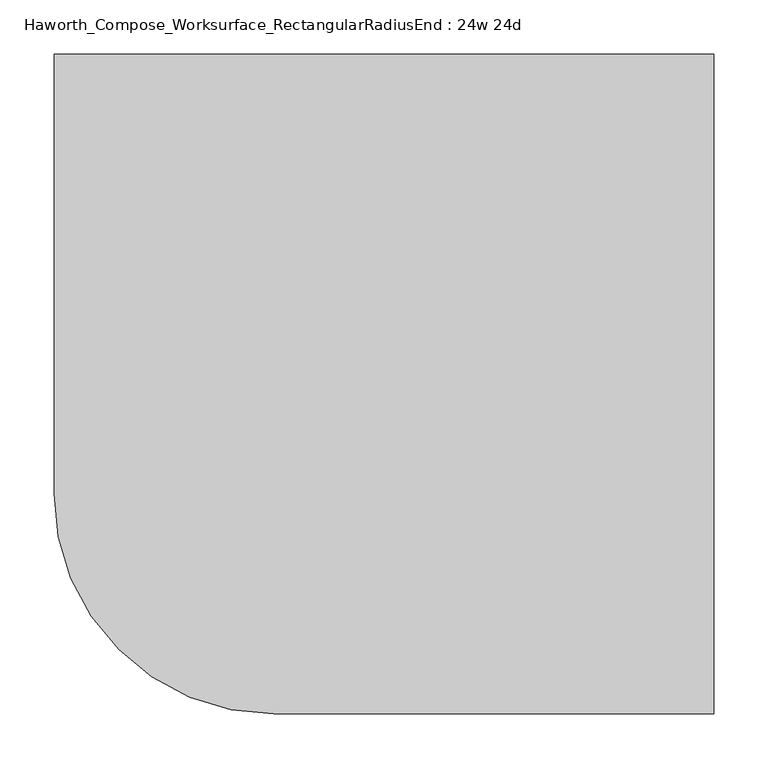
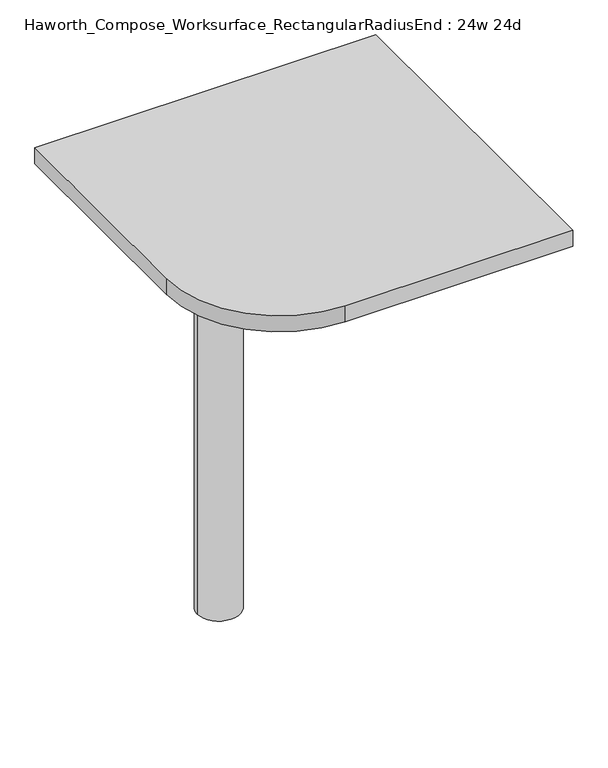
"""IFC4 building model written with IfcOpenShell, lengths in millimetres: furniture geometry, Haworth_Compose_Worksurface_RectangularRadiusEnd : 24w 24d."""

from ifc_helpers import new_model, si_unit, point, frame, frame_2d, origin, place, context, project, spatial, polyline, circle_curve, trimmed, segment, composite_curve, outline, extrude, source, transform, mapped, element, save
from ifc_brep_helpers import plane_surface, cylinder_surface, revolved_surface, advanced_brep


def haworth_compose_worksurface_rectangularradiusend_24w_24d_d5c6247b(model_context):
    return source(origin(), model_context, "Body", "SolidModel", [
        advanced_brep(
        [(299.24375, 304.8, 475.45625), (299.24375, 288.925, 475.45625), (299.24375, -101.6, 691.7192568), (299.24375, -101.6, 704.05625), (299.24375, 288.925, 704.05625), (299.24375, 304.8, 704.05625), (299.24375, 221.490072, 665.95625), (299.24375, 177.8355284, 665.95625), (299.24375, 175.1564235, 656.3705539), (299.24375, 266.8776173, 605.5776439), (299.24375, 276.225, 611.1756969), (299.24375, 276.225, 634.6860246), (299.24375, 274.4730055, 637.5242776), (299.24375, 224.5663437, 665.1613425), (301.625, 304.8, 475.45625), (301.625, 304.8, 704.05625), (301.625, 288.925, 704.05625), (301.625, 288.925, 706.4375), (301.625, -101.6, 706.4375), (301.625, -101.6, 691.7192568), (301.625, 288.925, 475.45625), (301.625, 221.490072, 665.95625), (301.625, 224.5663437, 665.1613425), (301.625, 274.4730055, 637.5242776), (301.625, 276.225, 634.6860246), (301.625, 276.225, 611.1756969), (301.625, 266.8776173, 605.5776439), (301.625, 175.1564235, 656.3705539), (301.625, 177.8355284, 665.95625), (260.35, -101.6, 706.4375), (260.35, -101.6, 704.05625), (260.35, 288.925, 704.05625), (260.35, 288.925, 706.4375)],
        [
            (0, 1),
            (1, 2),
            (2, 3),
            (3, 4),
            (4, 5),
            (5, 0),
            (6, 7),
            (7, 8, circle_curve(frame((299.24375, 177.8355284, 660.7890106), z_axis=(1.0, 0.0, 0.0), x_axis=(0.0, -1.0, 0.0)), 5.1672394)),
            (8, 9),
            (9, 10, circle_curve(frame((299.24375, 269.875, 611.1756969), z_axis=(1.0, 0.0, 0.0), x_axis=(0.0, -1.0, 0.0)), 6.35)),
            (10, 11),
            (11, 12, circle_curve(frame((299.24375, 273.05, 634.6860246), z_axis=(1.0, 0.0, 0.0), x_axis=(0.0, -1.0, 0.0)), 3.175)),
            (12, 13),
            (13, 6, circle_curve(frame((299.24375, 221.490072, 659.60625), z_axis=(1.0, 0.0, 0.0), x_axis=(0.0, -1.0, 0.0)), 6.35)),
            (14, 15),
            (15, 16),
            (16, 17),
            (17, 18),
            (18, 19),
            (19, 20),
            (20, 14),
            (21, 22, circle_curve(frame((301.625, 221.490072, 659.60625), z_axis=(-1.0, 0.0, 0.0), x_axis=(0.0, -1.0, 0.0)), 6.35)),
            (22, 23),
            (23, 24, circle_curve(frame((301.625, 273.05, 634.6860246), z_axis=(-1.0, 0.0, 0.0), x_axis=(0.0, -1.0, 0.0)), 3.175)),
            (24, 25),
            (25, 26, circle_curve(frame((301.625, 269.875, 611.1756969), z_axis=(-1.0, 0.0, 0.0), x_axis=(0.0, -1.0, 0.0)), 6.35)),
            (26, 27),
            (27, 28, circle_curve(frame((301.625, 177.8355284, 660.7890106), z_axis=(-1.0, 0.0, 0.0), x_axis=(0.0, -1.0, 0.0)), 5.1672394)),
            (28, 21),
            (4, 16),
            (15, 5),
            (14, 0),
            (20, 1),
            (19, 2),
            (18, 29),
            (29, 30),
            (30, 3),
            (6, 21),
            (28, 7),
            (9, 26),
            (25, 10),
            (24, 11),
            (23, 12),
            (27, 8),
            (31, 4),
            (30, 31),
            (32, 29),
            (17, 32),
            (31, 32),
            (22, 13),
        ],
        [
            plane_surface(frame((299.24375, 304.8, 475.45625), z_axis=(-1.0, 0.0, 0.0), x_axis=(0.0, 1.0, 0.0))),
            plane_surface(frame((301.625, 304.8, 475.45625), z_axis=(1.0, 0.0, 0.0), x_axis=(0.0, -1.0, 0.0))),
            plane_surface(frame((301.625, -101.6, 704.05625), z_axis=(0.0, 0.0, 1.0), x_axis=(-1.0, 0.0, 0.0))),
            plane_surface(frame((301.625, 304.8, 704.05625), z_axis=(0.0, 1.0, 0.0), x_axis=(-1.0, 0.0, 0.0))),
            plane_surface(frame((301.625, 304.8, 475.45625), z_axis=(0.0, 0.0, -1.0), x_axis=(-1.0, 0.0, 0.0))),
            plane_surface(frame((301.625, 288.925, 475.45625), z_axis=(0.0, -0.48445223513455843, -0.8748177135112952), x_axis=(-1.0, 0.0, 0.0))),
            plane_surface(frame((301.625, -101.6, 691.7192568), z_axis=(0.0, -1.0, 0.0), x_axis=(-1.0, 0.0, 0.0))),
            plane_surface(frame((301.625, 221.490072, 665.95625), z_axis=(0.0, 0.0, -1.0), x_axis=(-1.0, 0.0, 0.0))),
            revolved_surface(polyline([(299.24375, 263.525, 611.1756969), (301.625, 263.525, 611.1756969)]), (301.625, 269.875, 611.1756969), (-1.0, 0.0, 0.0)),
            plane_surface(frame((301.625, 276.225, 611.1756969), z_axis=(0.0, -1.0, 0.0), x_axis=(-1.0, 0.0, 0.0))),
            revolved_surface(polyline([(299.24375, 269.875, 634.6860246), (301.625, 269.875, 634.6860246)]), (301.625, 273.05, 634.6860246), (-1.0, 0.0, 0.0)),
            revolved_surface(polyline([(299.24375, 172.668289, 660.7890106), (301.625, 172.668289, 660.7890106)]), (301.625, 177.8355284, 660.7890106), (-1.0, 0.0, 0.0)),
            plane_surface(frame((301.625, 288.925, 704.05625), z_axis=(0.0, 0.0, -1.0), x_axis=(-1.0, 0.0, 0.0))),
            plane_surface(frame((301.625, 288.925, 706.4375), z_axis=(0.0, 0.0, 1.0), x_axis=(1.0, 0.0, 0.0))),
            plane_surface(frame((260.35, 288.925, 706.4375), z_axis=(0.0, 1.0, 0.0), x_axis=(0.0, 0.0, -1.0))),
            plane_surface(frame((260.35, -101.6, 706.4375), z_axis=(-1.0, 0.0, 0.0), x_axis=(0.0, 0.0, -1.0))),
            plane_surface(frame((301.625, 175.1564235, 656.3705539), z_axis=(0.0, 0.4844522351345583, 0.8748177135112953), x_axis=(-1.0, 0.0, 0.0))),
            plane_surface(frame((301.625, 274.4730055, 637.5242776), z_axis=(0.0, -0.4844522351345582, -0.8748177135112953), x_axis=(-1.0, 0.0, 0.0))),
            revolved_surface(polyline([(299.24375, 215.140072, 659.60625), (301.625, 215.140072, 659.60625)]), (301.625, 221.490072, 659.60625), (-1.0, 0.0, 0.0)),
        ],
        [
            (0, [[1, 2, 3, 4, 5, 6], [7, 8, 9, 10, 11, 12, 13, 14]]),
            (1, [[15, 16, 17, 18, 19, 20, 21], [22, 23, 24, 25, 26, 27, 28, 29]]),
            (2, [[-5, 30, -16, 31]]),
            (3, [[-31, -15, 32, -6]]),
            (4, [[-32, -21, 33, -1]]),
            (5, [[-33, -20, 34, -2]]),
            (6, [[-34, -19, 35, 36, 37, -3]]),
            (7, [[38, -29, 39, -7]]),
            (8, [[40, -26, 41, -10]]),
            (9, [[-41, -25, 42, -11]]),
            (10, [[-42, -24, 43, -12]]),
            (11, [[-39, -28, 44, -8]]),
            (12, [[45, -4, -37, 46]]),
            (13, [[47, -35, -18, 48]]),
            (14, [[-17, -30, -45, 49, -48]]),
            (15, [[-36, -47, -49, -46]]),
            (16, [[-44, -27, -40, -9]]),
            (17, [[-43, -23, 50, -13]]),
            (18, [[-50, -22, -38, -14]]),
        ],
    ),
        advanced_brep(
        [(-114.3, 0.0, 706.4375), (-190.5, 0.0, 706.4375), (-152.4, 0.0, 706.4375), (-114.3, 0.0, 0.0), (-190.5, 0.0, 0.0), (-152.4, 0.0, 0.0)],
        [
            (0, 1, circle_curve(frame((-152.4, 0.0, 706.4375), z_axis=(0.0, 0.0, 1.0), x_axis=(-1.0, 0.0, 0.0)), 38.1)),
            (1, 2),
            (2, 0),
            (1, 0, circle_curve(frame((-152.4, 0.0, 706.4375), z_axis=(0.0, 0.0, 1.0), x_axis=(-1.0, 0.0, 0.0)), 38.1)),
            (3, 4, circle_curve(frame((-152.4, 0.0, 0.0), z_axis=(0.0, 0.0, 1.0), x_axis=(-1.0, 0.0, 0.0)), 38.1)),
            (4, 1),
            (0, 3),
            (4, 3, circle_curve(frame((-152.4, 0.0, 0.0), z_axis=(0.0, 0.0, 1.0), x_axis=(-1.0, 0.0, 0.0)), 38.1)),
            (5, 4),
            (3, 5),
        ],
        [
            plane_surface(frame((-152.4, 0.0, 706.4375), z_axis=(0.0, 0.0, 1.0), x_axis=(-1.0, 0.0, 0.0))),
            cylinder_surface(frame((-152.4, 0.0, 889.623257), z_axis=(0.0, 0.0, -1.0), x_axis=(-1.0, 0.0, 0.0)), 38.1),
            plane_surface(frame((-152.4, 0.0, 0.0), z_axis=(0.0, 0.0, -1.0), x_axis=(-1.0, 0.0, 0.0))),
        ],
        [
            (0, [[1, 2, 3]]),
            (0, [[4, -3, -2]]),
            (1, [[5, 6, -1, 7]]),
            (1, [[8, -7, -4, -6]]),
            (2, [[9, -5, 10]]),
            (2, [[-10, -8, -9]]),
        ],
    ),
        extrude(outline(composite_curve([segment(polyline([(304.8, 304.8), (304.8, -304.8), (-101.6, -304.8)]), True, "CONTINUOUS"), segment(trimmed(circle_curve(frame_2d((-101.6, -101.6)), 203.2), [point((-101.6, -304.8))], [point((-304.8, -101.6))], False, "CARTESIAN"), True, "CONTINUOUS"), segment(polyline([(-304.8, -101.6), (-304.8, 304.8), (304.8, 304.8)]), True, "CONTINUOUS")], self_intersect=False)), frame((0.0, 0.0, 706.4375), z_axis=(0.0, 0.0, 1.0), x_axis=(1.0, 0.0, 0.0)), (0.0, 0.0, 1.0), 30.1625),
    ])


if __name__ == "__main__":
    model = new_model("IFC4")
    model_context = context("Model", 3, world=origin())
    ifc_project = project(units=[si_unit("LENGTHUNIT", "METRE", prefix="MILLI")], contexts=[model_context])
    site = spatial("IfcSite", under=ifc_project)
    building = spatial("IfcBuilding", under=site)
    placement = place(None, origin())
    haworth_compose_worksurface_rectangularradiusend_24w_24d_shape = haworth_compose_worksurface_rectangularradiusend_24w_24d_d5c6247b(model_context)
    element("IfcFurniture", 1, ObjectType="Haworth_Compose_Worksurface_RectangularRadiusEnd : 24w 24d", at=placement, inside=building, context=model_context, shape_type="MappedRepresentation", body=[
        mapped(haworth_compose_worksurface_rectangularradiusend_24w_24d_shape, transform((0.0, 0.0, 0.0), x_axis=(1.0, 0.0, 0.0), y_axis=(0.0, 1.0, 0.0), z_axis=(0.0, 0.0, 1.0))),
    ])
    save(model, "model.ifc")
